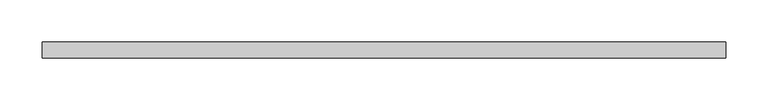
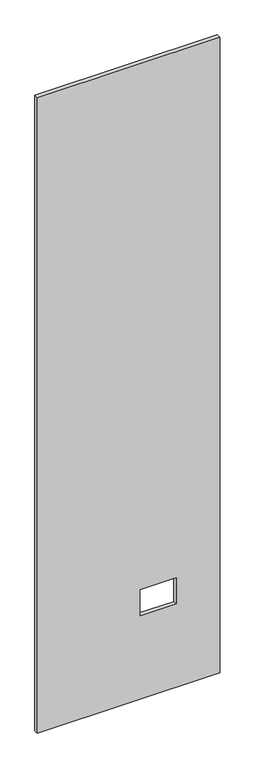
"""IFC4 building model written with IfcOpenShell, lengths in millimetres: proxy geometry."""

import ifcopenshell
import ifcopenshell.guid

model = None  # the IFC model being written
_history = None  # IfcOwnerHistory: only IFC2X3 demands one
_inside = {}  # id of a spatial element -> (the spatial element, [elements in it])
_under = {}  # id of a project, library or spatial element -> (it, [spatial elements below it])
_declared = {}  # id of a project -> (the project, [libraries it declares])
_typed = {}  # id of a type object -> (the type object, [elements of that type])
_made_of = {}  # id of a material, layer set ... -> (it, [elements and type objects made of it])


def new_model(schema):
    """Start an empty IFC model of exactly this schema.

    Asked for "IFC4X3", IfcOpenShell would pick the latest addendum, in which some entities
    have other attributes; the version numbers below select the first issue.
    IFC2X3 requires an IfcOwnerHistory on every rooted entity: one is made here for all.
    """
    global model, _history
    if schema == "IFC4X3":
        model = ifcopenshell.file(schema_version=(4, 3, 0, 0))
    else:
        model = ifcopenshell.file(schema=schema)
    _inside.clear()
    _under.clear()
    _declared.clear()
    _typed.clear()
    _made_of.clear()
    _history = None
    if model.schema == "IFC2X3":
        org = make("IfcOrganization", Name="unknown")
        user = make(
            "IfcPersonAndOrganization",
            ThePerson=make("IfcPerson", FamilyName="unknown"),
            TheOrganization=org,
        )
        app = make(
            "IfcApplication",
            ApplicationDeveloper=org,
            Version="unknown",
            ApplicationFullName="unknown",
            ApplicationIdentifier="unknown",
        )
        _history = make(
            "IfcOwnerHistory",
            OwningUser=user,
            OwningApplication=app,
            ChangeAction="ADDED",
            CreationDate=0,
        )
    return model


def make(cls, **values):
    """One entity of the class cls with the attributes given. An attribute that is None is left unset."""
    return model.create_entity(
        cls, **{name: value for name, value in values.items() if value is not None}
    )


def rooted(cls, **values):
    """An entity with a GlobalId (a new one), such as an element, a storey or a relation."""
    return make(cls, GlobalId=ifcopenshell.guid.new(), OwnerHistory=_history, **values)


def si_unit(unit_type, name, prefix=None):
    """IfcSIUnit, for example si_unit("LENGTHUNIT", "METRE", prefix="MILLI")."""
    return make("IfcSIUnit", UnitType=unit_type, Prefix=prefix, Name=name)


def assignment(units):
    """IfcUnitAssignment: the units of a project."""
    return None if units is None else make("IfcUnitAssignment", Units=units)


def point(xyz):
    """IfcCartesianPoint."""
    return None if xyz is None else make("IfcCartesianPoint", Coordinates=xyz)


def direction(xyz):
    """IfcDirection."""
    return None if xyz is None else make("IfcDirection", DirectionRatios=xyz)


def frame(location, z_axis=None, x_axis=None):
    """IfcAxis2Placement3D, a coordinate frame: its origin and axes. An axis left out is left unset."""
    return make(
        "IfcAxis2Placement3D",
        Location=point(location),
        Axis=direction(z_axis),
        RefDirection=direction(x_axis),
    )


def origin():
    """The frame at (0, 0, 0) with its axes left unset."""
    return frame((0.0, 0.0, 0.0))


def place(relative_to, where):
    """IfcLocalPlacement: puts the frame where relative to a parent placement (None: the world)."""
    return make(
        "IfcLocalPlacement", PlacementRelTo=relative_to, RelativePlacement=where
    )


def context(
    kind, dimensions, precision=None, world=None, true_north=None, identifier=None
):
    """IfcGeometricRepresentationContext, for example the 3D "Model" context."""
    return make(
        "IfcGeometricRepresentationContext",
        ContextIdentifier=identifier,
        ContextType=kind,
        CoordinateSpaceDimension=dimensions,
        Precision=precision,
        WorldCoordinateSystem=world,
        TrueNorth=true_north,
    )


def project(units=None, contexts=None):
    """IfcProject with its units and contexts."""
    return rooted(
        "IfcProject",
        Name="project",
        RepresentationContexts=contexts,
        UnitsInContext=assignment(units),
    )


def spatial(cls, under=None, at=None, **own):
    """A site, building, storey or space (cls), placed at a placement, below another one or the project."""
    s = rooted(cls, ObjectPlacement=at, **own)
    if under is not None:
        _under.setdefault(under.id(), (under, []))[1].append(s)
    return s


def polyline(points):
    """IfcPolyline through the points."""
    return make("IfcPolyline", Points=[point(p) for p in points])


def outline(outer, holes=None, kind="AREA"):
    """IfcArbitraryClosedProfileDef: a profile drawn as a closed curve; with holes, ...WithVoids."""
    if holes is None:
        return make("IfcArbitraryClosedProfileDef", ProfileType=kind, OuterCurve=outer)
    return make(
        "IfcArbitraryProfileDefWithVoids",
        ProfileType=kind,
        OuterCurve=outer,
        InnerCurves=holes,
    )


def extrude(swept, where, along, depth):
    """IfcExtrudedAreaSolid: the profile swept, set in the frame where, extruded along a direction by depth."""
    return make(
        "IfcExtrudedAreaSolid",
        SweptArea=swept,
        Position=where,
        ExtrudedDirection=direction(along),
        Depth=depth,
    )


def shape(context_of_items, identifier, shape_type, items):
    """IfcShapeRepresentation: the items that make up one representation, for example the "Body"."""
    return make(
        "IfcShapeRepresentation",
        ContextOfItems=context_of_items,
        RepresentationIdentifier=identifier,
        RepresentationType=shape_type,
        Items=items,
    )


def source(mapping_origin, context_of_items, identifier, shape_type, items):
    """IfcRepresentationMap: a shape defined once, which mapped items show again and again."""
    return make(
        "IfcRepresentationMap",
        MappingOrigin=mapping_origin,
        MappedRepresentation=shape(context_of_items, identifier, shape_type, items),
    )


def transform(
    local_origin,
    x_axis=None,
    y_axis=None,
    z_axis=None,
    scale=None,
    scale2=None,
    scale3=None,
    uniform=True,
):
    """IfcCartesianTransformationOperator3D, or its non-uniform kind. x_axis, y_axis, z_axis: its Axis1, 2, 3."""
    if uniform:
        return make(
            "IfcCartesianTransformationOperator3D",
            Axis1=direction(x_axis),
            Axis2=direction(y_axis),
            LocalOrigin=point(local_origin),
            Scale=scale,
            Axis3=direction(z_axis),
        )
    return make(
        "IfcCartesianTransformationOperator3DnonUniform",
        Axis1=direction(x_axis),
        Axis2=direction(y_axis),
        LocalOrigin=point(local_origin),
        Scale=scale,
        Axis3=direction(z_axis),
        Scale2=scale2,
        Scale3=scale3,
    )


def mapped(mapping_source, mapping_target):
    """IfcMappedItem: shows the shape of a source again, moved by a transform."""
    return make(
        "IfcMappedItem", MappingSource=mapping_source, MappingTarget=mapping_target
    )


def made_of(thing, what):
    """Note that an element or type object is made of a material, layer set ...; save() writes the relation."""
    if what is not None:
        _made_of.setdefault(what.id(), (what, []))[1].append(thing)
    return thing


def element(
    cls,
    number,
    at=None,
    inside=None,
    cuts=None,
    type_object=None,
    material=None,
    context=None,
    identifier="Body",
    shape_type=None,
    held_by="IfcProductDefinitionShape",
    body=None,
    shapes=None,
    **own,
):
    """One element of the class cls, such as IfcWall. Its Tag is "e" and its number.

    at: its placement. inside: the storey or other place that contains it. cuts: it is an
    opening in that element (IfcRelVoidsElement). A single representation is given by context,
    identifier, shape_type and body (its items); several are given by shapes. held_by: the class
    of the entity that holds the representations. save() writes the other relations.
    """
    e = rooted(cls, Tag="e%d" % number, ObjectPlacement=at, **own)
    if body is not None:
        shapes = [shape(context, identifier, shape_type, body)]
    if shapes is not None:
        e.Representation = make(held_by, Representations=shapes)
    if inside is not None:
        _inside.setdefault(inside.id(), (inside, []))[1].append(e)
    if cuts is not None:
        rooted(
            "IfcRelVoidsElement", RelatingBuildingElement=cuts, RelatedOpeningElement=e
        )
    if type_object is not None:
        _typed.setdefault(type_object.id(), (type_object, []))[1].append(e)
    return made_of(e, material)


def aggregate(whole, parts):
    """IfcRelAggregates: a whole, such as a stair, and the parts it consists of."""
    return rooted("IfcRelAggregates", RelatingObject=whole, RelatedObjects=parts)


def save(model, path):
    """Write the relations noted so far, then the file.

    IfcRelAggregates (storeys below a building ...), IfcRelContainedInSpatialStructure (elements
    in a storey), IfcRelDefinesByType, IfcRelAssociatesMaterial and IfcRelDeclares: one each for
    every whole, place, type object, material and project.
    """
    for whole, parts in _under.values():
        aggregate(whole, parts)
    for where, things in _inside.values():
        rooted(
            "IfcRelContainedInSpatialStructure",
            RelatedElements=things,
            RelatingStructure=where,
        )
    for kind, things in _typed.values():
        rooted("IfcRelDefinesByType", RelatedObjects=things, RelatingType=kind)
    for what, things in _made_of.values():
        rooted("IfcRelAssociatesMaterial", RelatedObjects=things, RelatingMaterial=what)
    for by, libraries in _declared.values():
        rooted("IfcRelDeclares", RelatingContext=by, RelatedDefinitions=libraries)
    model.write(path)


def specialty_equipment_3d94fdf3(model_context):
    return source(origin(), model_context, "Body", "SweptSolid", [
        extrude(outline(polyline([(2999.5368001, 407.1249464), (2999.5368001, -407.1249464), (3.175, -407.1249464), (3.175, 407.1249464), (2999.5368001, 407.1249464)]), holes=[polyline([(518.9474, 211.8868), (395.4526, 211.8868), (395.4526, 51.3588), (518.9474, 51.3588), (518.9474, 211.8868)])]), frame((0.0, -9.525, 0.0), z_axis=(0.0, 1.0, 0.0), x_axis=(0.0, 0.0, 1.0)), (0.0, 0.0, 1.0), 19.05),
    ])


if __name__ == "__main__":
    model = new_model("IFC4")
    model_context = context("Model", 3, world=origin())
    ifc_project = project(units=[si_unit("LENGTHUNIT", "METRE", prefix="MILLI")], contexts=[model_context])
    site = spatial("IfcSite", under=ifc_project)
    building = spatial("IfcBuilding", under=site)
    placement = place(None, origin())
    specialty_equipment_shape = specialty_equipment_3d94fdf3(model_context)
    element("IfcBuildingElementProxy", 1, Name="Specialty Equipment", at=placement, inside=building, context=model_context, shape_type="MappedRepresentation", body=[
        mapped(specialty_equipment_shape, transform((0.0, 0.0, 0.0), x_axis=(1.0, 0.0, 0.0), y_axis=(0.0, 1.0, 0.0), z_axis=(0.0, 0.0, 1.0))),
    ])
    save(model, "model.ifc")
